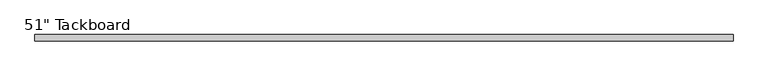
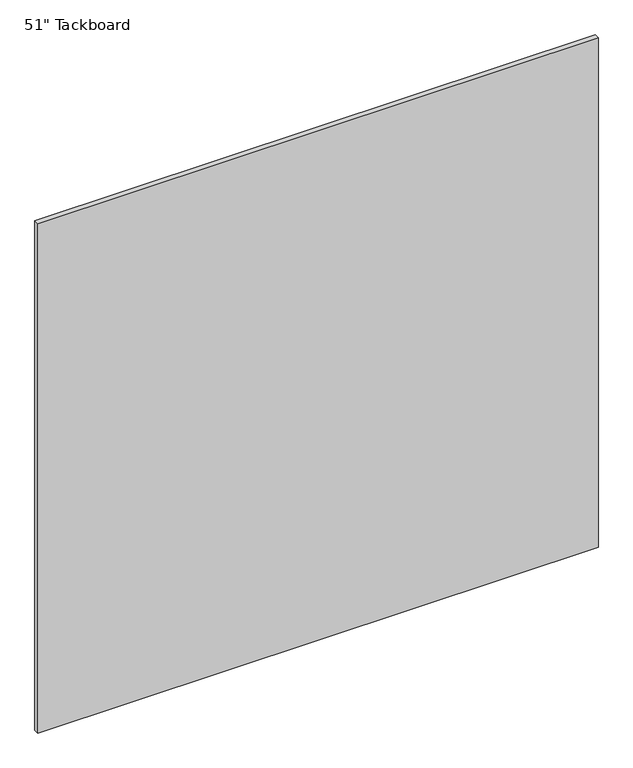
"""IFC4 building model written with IfcOpenShell, lengths in millimetres: furniture geometry."""

from ifc_helpers import new_model, si_unit, frame, origin, place, context, project, spatial, polyline, outline, extrude, source, transform, mapped, element, save


def furniture_05238cbe(model_context):
    return source(origin(), model_context, "Body", "SweptSolid", [
        extrude(outline(polyline([(812.8, 0.0), (812.8, -11.90625), (-482.6, -11.90625), (-482.6, 0.0), (812.8, 0.0)])), frame((0.0, 0.0, 762.0), z_axis=(0.0, 0.0, 1.0), x_axis=(1.0, 0.0, 0.0)), (0.0, 0.0, 1.0), 1244.6),
    ])


if __name__ == "__main__":
    model = new_model("IFC4")
    model_context = context("Model", 3, world=origin())
    ifc_project = project(units=[si_unit("LENGTHUNIT", "METRE", prefix="MILLI")], contexts=[model_context])
    site = spatial("IfcSite", under=ifc_project)
    building = spatial("IfcBuilding", under=site)
    placement = place(None, origin())
    furniture_shape = furniture_05238cbe(model_context)
    element("IfcFurniture", 1, ObjectType="51\" Tackboard", at=placement, inside=building, context=model_context, shape_type="MappedRepresentation", body=[
        mapped(furniture_shape, transform((0.0, 0.0, 0.0), x_axis=(1.0, 0.0, 0.0), y_axis=(0.0, 1.0, 0.0), z_axis=(0.0, 0.0, 1.0))),
    ])
    save(model, "model.ifc")
